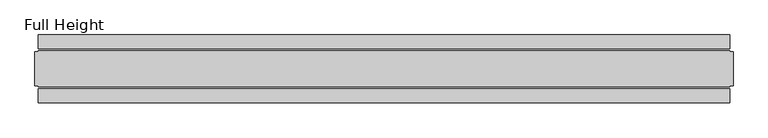
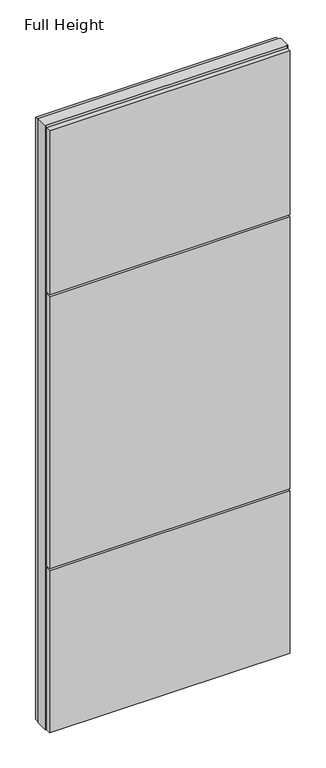
"""IFC4 building model written with IfcOpenShell, lengths in millimetres: plate geometry, Full Height."""

from ifc_helpers import new_model, si_unit, frame, origin, origin_with_axes, place, context, project, spatial, polyline, outline, extrude, source, transform, mapped, element, save


def full_height_ecd00235(model_context):
    return source(origin(), model_context, "Body", "SweptSolid", [
        extrude(outline(polyline([(506.603, 28.956), (-506.603, 28.956), (-506.603, 49.53), (506.603, 49.53), (506.603, 28.956)])), origin_with_axes(), (0.0, 0.0, 1.0), 2679.192),
        extrude(outline(polyline([(506.603, -28.956), (506.603, -49.53), (-506.603, -49.53), (-506.603, -28.956), (506.603, -28.956)])), frame((0.0, 0.0, 1949.196), z_axis=(0.0, 0.0, 1.0), x_axis=(1.0, 0.0, 0.0)), (0.0, 0.0, 1.0), 729.996),
        extrude(outline(polyline([(506.603, -28.956), (506.603, -49.53), (-506.603, -49.53), (-506.603, -28.956), (506.603, -28.956)])), frame((0.0, 0.0, 729.996), z_axis=(0.0, 0.0, 1.0), x_axis=(1.0, 0.0, 0.0)), (0.0, 0.0, 1.0), 1210.056),
        extrude(outline(polyline([(506.603, -28.956), (506.603, -49.53), (-506.603, -49.53), (-506.603, -28.956), (506.603, -28.956)])), origin_with_axes(), (0.0, 0.0, 1.0), 720.852),
        extrude(outline(polyline([(506.603, -25.146), (506.603, -26.67), (-506.603, -26.67), (-506.603, -25.146), (-511.175, -25.146), (-511.175, 25.146), (-506.603, 25.146), (-506.603, 26.67), (506.603, 26.67), (506.603, 25.146), (511.175, 25.146), (511.175, -25.146), (506.603, -25.146)])), origin_with_axes(), (0.0, 0.0, 1.0), 2688.336),
    ])


if __name__ == "__main__":
    model = new_model("IFC4")
    model_context = context("Model", 3, world=origin())
    ifc_project = project(units=[si_unit("LENGTHUNIT", "METRE", prefix="MILLI")], contexts=[model_context])
    site = spatial("IfcSite", under=ifc_project)
    building = spatial("IfcBuilding", under=site)
    placement = place(None, origin())
    full_height_shape = full_height_ecd00235(model_context)
    element("IfcPlate", 1, ObjectType="Full Height", at=placement, inside=building, context=model_context, shape_type="MappedRepresentation", body=[
        mapped(full_height_shape, transform((0.0, 0.0, 0.0), x_axis=(1.0, 0.0, 0.0), y_axis=(0.0, 1.0, 0.0), z_axis=(0.0, 0.0, 1.0))),
    ])
    save(model, "model.ifc")
